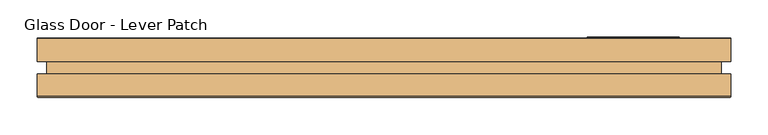
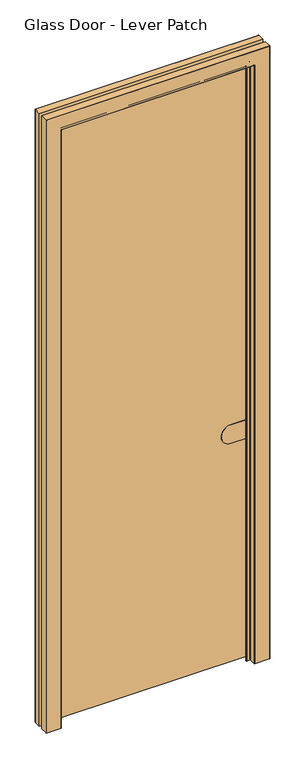
"""IFC4 building model written with IfcOpenShell, lengths in millimetres: door geometry, Glass Door - Lever Patch."""

import ifcopenshell
import ifcopenshell.guid

model = None  # the IFC model being written
_history = None  # IfcOwnerHistory: only IFC2X3 demands one
_inside = {}  # id of a spatial element -> (the spatial element, [elements in it])
_under = {}  # id of a project, library or spatial element -> (it, [spatial elements below it])
_declared = {}  # id of a project -> (the project, [libraries it declares])
_typed = {}  # id of a type object -> (the type object, [elements of that type])
_made_of = {}  # id of a material, layer set ... -> (it, [elements and type objects made of it])


def new_model(schema):
    """Start an empty IFC model of exactly this schema.

    Asked for "IFC4X3", IfcOpenShell would pick the latest addendum, in which some entities
    have other attributes; the version numbers below select the first issue.
    IFC2X3 requires an IfcOwnerHistory on every rooted entity: one is made here for all.
    """
    global model, _history
    if schema == "IFC4X3":
        model = ifcopenshell.file(schema_version=(4, 3, 0, 0))
    else:
        model = ifcopenshell.file(schema=schema)
    _inside.clear()
    _under.clear()
    _declared.clear()
    _typed.clear()
    _made_of.clear()
    _history = None
    if model.schema == "IFC2X3":
        org = make("IfcOrganization", Name="unknown")
        user = make(
            "IfcPersonAndOrganization",
            ThePerson=make("IfcPerson", FamilyName="unknown"),
            TheOrganization=org,
        )
        app = make(
            "IfcApplication",
            ApplicationDeveloper=org,
            Version="unknown",
            ApplicationFullName="unknown",
            ApplicationIdentifier="unknown",
        )
        _history = make(
            "IfcOwnerHistory",
            OwningUser=user,
            OwningApplication=app,
            ChangeAction="ADDED",
            CreationDate=0,
        )
    return model


def make(cls, **values):
    """One entity of the class cls with the attributes given. An attribute that is None is left unset."""
    return model.create_entity(
        cls, **{name: value for name, value in values.items() if value is not None}
    )


def rooted(cls, **values):
    """An entity with a GlobalId (a new one), such as an element, a storey or a relation."""
    return make(cls, GlobalId=ifcopenshell.guid.new(), OwnerHistory=_history, **values)


def si_unit(unit_type, name, prefix=None):
    """IfcSIUnit, for example si_unit("LENGTHUNIT", "METRE", prefix="MILLI")."""
    return make("IfcSIUnit", UnitType=unit_type, Prefix=prefix, Name=name)


def assignment(units):
    """IfcUnitAssignment: the units of a project."""
    return None if units is None else make("IfcUnitAssignment", Units=units)


def point(xyz):
    """IfcCartesianPoint."""
    return None if xyz is None else make("IfcCartesianPoint", Coordinates=xyz)


def direction(xyz):
    """IfcDirection."""
    return None if xyz is None else make("IfcDirection", DirectionRatios=xyz)


def frame(location, z_axis=None, x_axis=None):
    """IfcAxis2Placement3D, a coordinate frame: its origin and axes. An axis left out is left unset."""
    return make(
        "IfcAxis2Placement3D",
        Location=point(location),
        Axis=direction(z_axis),
        RefDirection=direction(x_axis),
    )


def frame_2d(location, x_axis=None):
    """IfcAxis2Placement2D, a coordinate frame in the plane: its origin and x axis."""
    return make(
        "IfcAxis2Placement2D", Location=point(location), RefDirection=direction(x_axis)
    )


def origin():
    """The frame at (0, 0, 0) with its axes left unset."""
    return frame((0.0, 0.0, 0.0))


def place(relative_to, where):
    """IfcLocalPlacement: puts the frame where relative to a parent placement (None: the world)."""
    return make(
        "IfcLocalPlacement", PlacementRelTo=relative_to, RelativePlacement=where
    )


def context(
    kind, dimensions, precision=None, world=None, true_north=None, identifier=None
):
    """IfcGeometricRepresentationContext, for example the 3D "Model" context."""
    return make(
        "IfcGeometricRepresentationContext",
        ContextIdentifier=identifier,
        ContextType=kind,
        CoordinateSpaceDimension=dimensions,
        Precision=precision,
        WorldCoordinateSystem=world,
        TrueNorth=true_north,
    )


def project(units=None, contexts=None):
    """IfcProject with its units and contexts."""
    return rooted(
        "IfcProject",
        Name="project",
        RepresentationContexts=contexts,
        UnitsInContext=assignment(units),
    )


def spatial(cls, under=None, at=None, **own):
    """A site, building, storey or space (cls), placed at a placement, below another one or the project."""
    s = rooted(cls, ObjectPlacement=at, **own)
    if under is not None:
        _under.setdefault(under.id(), (under, []))[1].append(s)
    return s


def polyline(points):
    """IfcPolyline through the points."""
    return make("IfcPolyline", Points=[point(p) for p in points])


def circle_curve(where, radius):
    """IfcCircle in the frame where."""
    return make("IfcCircle", Position=where, Radius=radius)


def ellipse_curve(where, semi_axis1, semi_axis2):
    """IfcEllipse in the frame where."""
    return make(
        "IfcEllipse", Position=where, SemiAxis1=semi_axis1, SemiAxis2=semi_axis2
    )


def trimmed(basis, trim1, trim2, sense, master):
    """IfcTrimmedCurve: the piece of a basis curve between two trims."""
    return make(
        "IfcTrimmedCurve",
        BasisCurve=basis,
        Trim1=trim1,
        Trim2=trim2,
        SenseAgreement=sense,
        MasterRepresentation=master,
    )


def segment(curve, same_sense, transition):
    """IfcCompositeCurveSegment."""
    return make(
        "IfcCompositeCurveSegment",
        Transition=transition,
        SameSense=same_sense,
        ParentCurve=curve,
    )


def composite_curve(segments, self_intersect=None):
    """IfcCompositeCurve: segments joined end to end."""
    return make("IfcCompositeCurve", Segments=segments, SelfIntersect=self_intersect)


def outline(outer, holes=None, kind="AREA"):
    """IfcArbitraryClosedProfileDef: a profile drawn as a closed curve; with holes, ...WithVoids."""
    if holes is None:
        return make("IfcArbitraryClosedProfileDef", ProfileType=kind, OuterCurve=outer)
    return make(
        "IfcArbitraryProfileDefWithVoids",
        ProfileType=kind,
        OuterCurve=outer,
        InnerCurves=holes,
    )


def extrude(swept, where, along, depth):
    """IfcExtrudedAreaSolid: the profile swept, set in the frame where, extruded along a direction by depth."""
    return make(
        "IfcExtrudedAreaSolid",
        SweptArea=swept,
        Position=where,
        ExtrudedDirection=direction(along),
        Depth=depth,
    )


def shape(context_of_items, identifier, shape_type, items):
    """IfcShapeRepresentation: the items that make up one representation, for example the "Body"."""
    return make(
        "IfcShapeRepresentation",
        ContextOfItems=context_of_items,
        RepresentationIdentifier=identifier,
        RepresentationType=shape_type,
        Items=items,
    )


def source(mapping_origin, context_of_items, identifier, shape_type, items):
    """IfcRepresentationMap: a shape defined once, which mapped items show again and again."""
    return make(
        "IfcRepresentationMap",
        MappingOrigin=mapping_origin,
        MappedRepresentation=shape(context_of_items, identifier, shape_type, items),
    )


def transform(
    local_origin,
    x_axis=None,
    y_axis=None,
    z_axis=None,
    scale=None,
    scale2=None,
    scale3=None,
    uniform=True,
):
    """IfcCartesianTransformationOperator3D, or its non-uniform kind. x_axis, y_axis, z_axis: its Axis1, 2, 3."""
    if uniform:
        return make(
            "IfcCartesianTransformationOperator3D",
            Axis1=direction(x_axis),
            Axis2=direction(y_axis),
            LocalOrigin=point(local_origin),
            Scale=scale,
            Axis3=direction(z_axis),
        )
    return make(
        "IfcCartesianTransformationOperator3DnonUniform",
        Axis1=direction(x_axis),
        Axis2=direction(y_axis),
        LocalOrigin=point(local_origin),
        Scale=scale,
        Axis3=direction(z_axis),
        Scale2=scale2,
        Scale3=scale3,
    )


def mapped(mapping_source, mapping_target):
    """IfcMappedItem: shows the shape of a source again, moved by a transform."""
    return make(
        "IfcMappedItem", MappingSource=mapping_source, MappingTarget=mapping_target
    )


def made_of(thing, what):
    """Note that an element or type object is made of a material, layer set ...; save() writes the relation."""
    if what is not None:
        _made_of.setdefault(what.id(), (what, []))[1].append(thing)
    return thing


def element(
    cls,
    number,
    at=None,
    inside=None,
    cuts=None,
    type_object=None,
    material=None,
    context=None,
    identifier="Body",
    shape_type=None,
    held_by="IfcProductDefinitionShape",
    body=None,
    shapes=None,
    **own,
):
    """One element of the class cls, such as IfcWall. Its Tag is "e" and its number.

    at: its placement. inside: the storey or other place that contains it. cuts: it is an
    opening in that element (IfcRelVoidsElement). A single representation is given by context,
    identifier, shape_type and body (its items); several are given by shapes. held_by: the class
    of the entity that holds the representations. save() writes the other relations.
    """
    e = rooted(cls, Tag="e%d" % number, ObjectPlacement=at, **own)
    if body is not None:
        shapes = [shape(context, identifier, shape_type, body)]
    if shapes is not None:
        e.Representation = make(held_by, Representations=shapes)
    if inside is not None:
        _inside.setdefault(inside.id(), (inside, []))[1].append(e)
    if cuts is not None:
        rooted(
            "IfcRelVoidsElement", RelatingBuildingElement=cuts, RelatedOpeningElement=e
        )
    if type_object is not None:
        _typed.setdefault(type_object.id(), (type_object, []))[1].append(e)
    return made_of(e, material)


def aggregate(whole, parts):
    """IfcRelAggregates: a whole, such as a stair, and the parts it consists of."""
    return rooted("IfcRelAggregates", RelatingObject=whole, RelatedObjects=parts)


def save(model, path):
    """Write the relations noted so far, then the file.

    IfcRelAggregates (storeys below a building ...), IfcRelContainedInSpatialStructure (elements
    in a storey), IfcRelDefinesByType, IfcRelAssociatesMaterial and IfcRelDeclares: one each for
    every whole, place, type object, material and project.
    """
    for whole, parts in _under.values():
        aggregate(whole, parts)
    for where, things in _inside.values():
        rooted(
            "IfcRelContainedInSpatialStructure",
            RelatedElements=things,
            RelatingStructure=where,
        )
    for kind, things in _typed.values():
        rooted("IfcRelDefinesByType", RelatedObjects=things, RelatingType=kind)
    for what, things in _made_of.values():
        rooted("IfcRelAssociatesMaterial", RelatedObjects=things, RelatingMaterial=what)
    for by, libraries in _declared.values():
        rooted("IfcRelDeclares", RelatingContext=by, RelatedDefinitions=libraries)
    model.write(path)


def plane_surface(at):
    """IfcPlane: the flat surface through the origin of the frame at, square to its z axis."""
    return make("IfcPlane", Position=at)


def cylinder_surface(at, radius):
    """IfcCylindricalSurface: all points at the distance radius from the z axis of the frame at."""
    return make("IfcCylindricalSurface", Position=at, Radius=radius)


def revolved_surface(curve, axis_point, axis_direction):
    """IfcSurfaceOfRevolution: the curve turned about the line through axis_point along axis_direction."""
    return make(
        "IfcSurfaceOfRevolution",
        SweptCurve=make("IfcArbitraryOpenProfileDef", ProfileType="CURVE", Curve=curve),
        AxisPosition=make("IfcAxis1Placement", Location=point(axis_point), Axis=direction(axis_direction)),
    )


def advanced_brep(points, edges, surfaces, faces):
    """IfcAdvancedBrep: a solid bounded by faces that lie on surfaces and meet in shared edges.

    An edge is (start, end): straight between two places in points (the first is 0);
    or (start, end, curve); or (start, end, curve, False) where it runs against its curve.
    A face is (place in surfaces, loops), or (place, loops, False) where it looks against
    its surface's normal. A loop lists edges by number (the first is 1), with a minus sign
    where the edge is run from its end to its start. The first loop is the outer one.
    """
    corners = [point(p) for p in points]
    vertices = [make("IfcVertexPoint", VertexGeometry=c) for c in corners]
    made = []
    for start, end, *more in edges:
        made.append(
            make(
                "IfcEdgeCurve",
                EdgeStart=vertices[start],
                EdgeEnd=vertices[end],
                EdgeGeometry=more[0] if more else make("IfcPolyline", Points=[corners[start], corners[end]]),
                SameSense=more[1] if len(more) > 1 else True,
            )
        )
    hull = []
    for where, loops, *sense in faces:
        bounds = []
        for j, loop in enumerate(loops):
            ring = [make("IfcOrientedEdge", EdgeElement=made[abs(k) - 1], Orientation=k > 0) for k in loop]
            bounds.append(
                make(
                    "IfcFaceOuterBound" if j == 0 else "IfcFaceBound",
                    Bound=make("IfcEdgeLoop", EdgeList=ring),
                    Orientation=True,
                )
            )
        hull.append(make("IfcAdvancedFace", Bounds=bounds, FaceSurface=surfaces[where], SameSense=sense[0] if sense else True))
    return make("IfcAdvancedBrep", Outer=make("IfcClosedShell", CfsFaces=hull))


def glass_door_lever_patch_f5607a64(model_context):
    return source(origin(), model_context, "Body", "SolidModel", [
        extrude(outline(composite_curve([segment(trimmed(circle_curve(frame_2d((1016.0, 334.6499916)), 40.975), [point((1056.975, 334.6499916))], [point((975.025, 334.6499916))], False, "CARTESIAN"), True, "CONTINUOUS"), segment(polyline([(975.025, 334.6499916), (975.025, 404.4999916), (1056.975, 404.4999916), (1056.975, 334.6499916)]), True, "CONTINUOUS")], self_intersect=False)), frame((0.0, -1.2499996, 0.0), z_axis=(0.0, 1.0, 0.0), x_axis=(0.0, 0.0, 1.0)), (0.0, 0.0, 1.0), 10.25),
        extrude(outline(composite_curve([segment(trimmed(circle_curve(frame_2d((1016.0, 334.6499916)), 53.975), [point((1069.975, 334.6499916))], [point((962.025, 334.6499916))], False, "CARTESIAN"), True, "CONTINUOUS"), segment(polyline([(962.025, 334.6499916), (962.025, 404.4999916), (1069.975, 404.4999916), (1069.975, 334.6499916)]), True, "CONTINUOUS")], self_intersect=False)), frame((0.0, 9.0000004, 0.0), z_axis=(0.0, 1.0, 0.0), x_axis=(0.0, 0.0, 1.0)), (0.0, 0.0, 1.0), 32.45),
        advanced_brep(
        [(410.5, -38.9375004, 0.0), (410.5, -10.9375076, 0.0), (409.5, -9.9375076, 0.0), (395.0, -9.9375076, 0.0), (394.0, -8.9375076, 0.0), (394.0, -6.5874996, 0.0), (394.65, -5.9374996, 0.0), (409.5, -5.9374996, 0.0), (410.5, -4.9374996, 0.0), (410.5, 39.0625004, 0.0), (411.5, 40.0625004, 0.0), (473.0, 40.0625004, 0.0), (474.0, 39.0625004, 0.0), (474.0, 8.5625, 0.0), (461.0, 8.5625, 0.0), (461.0, -8.4375, 0.0), (474.0, -8.4375, 0.0), (474.0, -38.9375004, 0.0), (473.0, -39.9375004, 0.0), (411.5, -39.9375004, 0.0), (411.5, -39.9375004, 2635.7), (410.5, -38.9375004, 2634.7), (473.0, -39.9375004, 2697.2), (-457.9998365, -39.9375004, 2697.2), (-457.9998365, -39.9375004, 0.0), (-396.4998365, -39.9375004, 0.0), (-396.4998365, -39.9375004, 2635.7), (474.0, -38.9375004, 2698.2), (474.0, -8.4375, 2698.2), (461.0, -8.4375, 2685.2), (-445.9998365, -8.4375, 2685.2), (-445.9998365, -8.4375, 0.0), (-458.9998365, -8.4375, 0.0), (-458.9998365, -8.4375, 2698.2), (461.0, 8.5625, 2685.2), (474.0, 8.5625, 2698.2), (-458.9998365, 8.5625, 2698.2), (-458.9998365, 8.5625, 0.0), (-445.9998365, 8.5625, 0.0), (-445.9998365, 8.5625, 2685.2), (474.0, 39.0625004, 2698.2), (473.0, 40.0625004, 2697.2), (411.5, 40.0625004, 2635.7), (-396.4998365, 40.0625004, 2635.7), (-396.4998365, 40.0625004, 0.0), (-457.9998365, 40.0625004, 0.0), (-457.9998365, 40.0625004, 2697.2), (410.5, 39.0625004, 2634.7), (410.5, -4.9374996, 2634.7), (409.5, -5.9374996, 2633.7), (394.65, -5.9374996, 2618.85), (-379.6498365, -5.9374996, 2618.85), (-379.6498365, -5.9374996, 0.0), (-394.4998365, -5.9374996, 0.0), (-394.4998365, -5.9374996, 2633.7), (394.0, -6.5874996, 2618.2), (394.0, -8.9375076, 2618.2), (395.0, -9.9375076, 2619.2), (409.5, -9.9375076, 2633.7), (-394.4998365, -9.9375076, 2633.7), (-394.4998365, -9.9375076, 0.0), (-379.9998365, -9.9375076, 0.0), (-379.9998365, -9.9375076, 2619.2), (410.5, -10.9375076, 2634.7), (-395.4998365, -38.9375004, 0.0), (-395.4998365, -38.9375004, 2634.7), (-458.9998365, -38.9375004, 0.0), (-458.9998365, 39.0625004, 0.0), (-395.4998365, 39.0625004, 0.0), (-395.4998365, -4.9374996, 0.0), (-378.9998365, -6.5874996, 0.0), (-378.9998365, -8.9375076, 0.0), (-395.4998365, -10.9375076, 0.0), (-458.9998365, -38.9375004, 2698.2), (-458.9998365, 39.0625004, 2698.2), (-395.4998365, 39.0625004, 2634.7), (-395.4998365, -4.9374996, 2634.7), (-378.9998365, -6.5874996, 2618.2), (-378.9998365, -8.9375076, 2618.2), (-395.4998365, -10.9375076, 2634.7)],
        [
            (0, 1),
            (1, 2, circle_curve(frame((409.5, -10.9375076, 0.0), z_axis=(0.0, 0.0, 1.0), x_axis=(-1.0, 0.0, 0.0)), 1.0)),
            (2, 3),
            (3, 4, circle_curve(frame((395.0, -8.9375076, 0.0), z_axis=(0.0, 0.0, -1.0), x_axis=(-1.0, 0.0, 0.0)), 1.0)),
            (4, 5),
            (5, 6, circle_curve(frame((394.65, -6.5874996, 0.0), z_axis=(0.0, 0.0, -1.0), x_axis=(-1.0, 0.0, 0.0)), 0.65)),
            (6, 7),
            (7, 8, circle_curve(frame((409.5, -4.9374996, 0.0), z_axis=(0.0, 0.0, 1.0), x_axis=(-1.0, 0.0, 0.0)), 1.0)),
            (8, 9),
            (9, 10, circle_curve(frame((411.5, 39.0625004, 0.0), z_axis=(0.0, 0.0, -1.0), x_axis=(-1.0, 0.0, 0.0)), 1.0)),
            (10, 11),
            (11, 12, circle_curve(frame((473.0, 39.0625004, 0.0), z_axis=(0.0, 0.0, -1.0), x_axis=(-1.0, 0.0, 0.0)), 1.0)),
            (12, 13),
            (13, 14),
            (14, 15),
            (15, 16),
            (16, 17),
            (17, 18, circle_curve(frame((473.0, -38.9375004, 0.0), z_axis=(0.0, 0.0, -1.0), x_axis=(-1.0, 0.0, 0.0)), 1.0)),
            (18, 19),
            (19, 0, circle_curve(frame((411.5, -38.9375004, 0.0), z_axis=(0.0, 0.0, -1.0), x_axis=(-1.0, 0.0, 0.0)), 1.0)),
            (19, 20),
            (20, 21, ellipse_curve(frame((411.5, -38.9375004, 2635.7), z_axis=(0.7071067811865475, 0.0, -0.7071067811865475), x_axis=(-0.7071067811865474, 0.0, -0.7071067811865476)), 1.4142136, 1.0)),
            (21, 0),
            (18, 22),
            (22, 23),
            (23, 24),
            (24, 25),
            (25, 26),
            (26, 20),
            (17, 27),
            (27, 22, ellipse_curve(frame((473.0, -38.9375004, 2697.2), z_axis=(0.7071067811865475, 0.0, -0.7071067811865475), x_axis=(-0.7071067811865474, 0.0, -0.7071067811865476)), 1.4142136, 1.0)),
            (16, 28),
            (28, 27),
            (15, 29),
            (29, 30),
            (30, 31),
            (31, 32),
            (32, 33),
            (33, 28),
            (14, 34),
            (34, 29),
            (13, 35),
            (35, 36),
            (36, 37),
            (37, 38),
            (38, 39),
            (39, 34),
            (12, 40),
            (40, 35),
            (11, 41),
            (41, 40, ellipse_curve(frame((473.0, 39.0625004, 2697.2), z_axis=(0.7071067811865475, 0.0, -0.7071067811865475), x_axis=(-0.7071067811865474, 0.0, -0.7071067811865476)), 1.4142136, 1.0)),
            (10, 42),
            (42, 43),
            (43, 44),
            (44, 45),
            (45, 46),
            (46, 41),
            (9, 47),
            (47, 42, ellipse_curve(frame((411.5, 39.0625004, 2635.7), z_axis=(0.7071067811865475, 0.0, -0.7071067811865475), x_axis=(-0.7071067811865474, 0.0, -0.7071067811865476)), 1.4142136, 1.0)),
            (8, 48),
            (48, 47),
            (7, 49),
            (49, 48, ellipse_curve(frame((409.5, -4.9374996, 2633.7), z_axis=(-0.7071067811865475, 0.0, 0.7071067811865475), x_axis=(0.7071067811865474, 0.0, 0.7071067811865476)), 1.4142136, 1.0)),
            (6, 50),
            (50, 51),
            (51, 52),
            (52, 53),
            (53, 54),
            (54, 49),
            (5, 55),
            (55, 50, ellipse_curve(frame((394.65, -6.5874996, 2618.85), z_axis=(0.7071067811865475, 0.0, -0.7071067811865475), x_axis=(-0.7071067811865474, 0.0, -0.7071067811865476)), 0.9192388, 0.65)),
            (4, 56),
            (56, 55),
            (3, 57),
            (57, 56, ellipse_curve(frame((395.0, -8.9375076, 2619.2), z_axis=(0.7071067811865475, 0.0, -0.7071067811865475), x_axis=(-0.7071067811865474, 0.0, -0.7071067811865476)), 1.4142136, 1.0)),
            (2, 58),
            (58, 59),
            (59, 60),
            (60, 61),
            (61, 62),
            (62, 57),
            (1, 63),
            (63, 58, ellipse_curve(frame((409.5, -10.9375076, 2633.7), z_axis=(-0.7071067811865475, 0.0, 0.7071067811865475), x_axis=(0.7071067811865474, 0.0, 0.7071067811865476)), 1.4142136, 1.0)),
            (21, 63),
            (25, 64, circle_curve(frame((-396.4998365, -38.9375004, 0.0), z_axis=(0.0, 0.0, 1.0), x_axis=(1.0, 0.0, 0.0)), 1.0)),
            (64, 65),
            (65, 26, ellipse_curve(frame((-396.4998365, -38.9375004, 2635.7), z_axis=(-0.7071067811865475, 0.0, -0.7071067811865475), x_axis=(-0.7071067811865474, 0.0, 0.7071067811865476)), 1.4142136, 1.0)),
            (24, 66, circle_curve(frame((-457.9998365, -38.9375004, 0.0), z_axis=(0.0, 0.0, -1.0), x_axis=(1.0, 0.0, 0.0)), 1.0)),
            (66, 32),
            (31, 38),
            (37, 67),
            (67, 45, circle_curve(frame((-457.9998365, 39.0625004, 0.0), z_axis=(0.0, 0.0, -1.0), x_axis=(1.0, 0.0, 0.0)), 1.0)),
            (44, 68, circle_curve(frame((-396.4998365, 39.0625004, 0.0), z_axis=(0.0, 0.0, -1.0), x_axis=(1.0, 0.0, 0.0)), 1.0)),
            (68, 69),
            (69, 53, circle_curve(frame((-394.4998365, -4.9374996, 0.0), z_axis=(0.0, 0.0, 1.0), x_axis=(1.0, 0.0, 0.0)), 1.0)),
            (52, 70, circle_curve(frame((-379.6498365, -6.5874996, 0.0), z_axis=(0.0, 0.0, -1.0), x_axis=(1.0, 0.0, 0.0)), 0.65)),
            (70, 71),
            (71, 61, circle_curve(frame((-379.9998365, -8.9375076, 0.0), z_axis=(0.0, 0.0, -1.0), x_axis=(1.0, 0.0, 0.0)), 1.0)),
            (60, 72, circle_curve(frame((-394.4998365, -10.9375076, 0.0), z_axis=(0.0, 0.0, 1.0), x_axis=(1.0, 0.0, 0.0)), 1.0)),
            (72, 64),
            (73, 66),
            (23, 73, ellipse_curve(frame((-457.9998365, -38.9375004, 2697.2), z_axis=(-0.7071067811865475, 0.0, -0.7071067811865475), x_axis=(-0.7071067811865474, 0.0, 0.7071067811865476)), 1.4142136, 1.0)),
            (73, 33),
            (30, 39),
            (74, 67),
            (36, 74),
            (74, 46, ellipse_curve(frame((-457.9998365, 39.0625004, 2697.2), z_axis=(-0.7071067811865475, 0.0, -0.7071067811865475), x_axis=(-0.7071067811865474, 0.0, 0.7071067811865476)), 1.4142136, 1.0)),
            (75, 68),
            (43, 75, ellipse_curve(frame((-396.4998365, 39.0625004, 2635.7), z_axis=(-0.7071067811865475, 0.0, -0.7071067811865475), x_axis=(-0.7071067811865474, 0.0, 0.7071067811865476)), 1.4142136, 1.0)),
            (69, 76),
            (76, 54, ellipse_curve(frame((-394.4998365, -4.9374996, 2633.7), z_axis=(0.7071067811865475, 0.0, 0.7071067811865475), x_axis=(0.7071067811865474, 0.0, -0.7071067811865476)), 1.4142136, 1.0)),
            (77, 70),
            (51, 77, ellipse_curve(frame((-379.6498365, -6.5874996, 2618.85), z_axis=(-0.7071067811865475, 0.0, -0.7071067811865475), x_axis=(-0.7071067811865474, 0.0, 0.7071067811865476)), 0.9192388, 0.65)),
            (71, 78),
            (78, 62, ellipse_curve(frame((-379.9998365, -8.9375076, 2619.2), z_axis=(-0.7071067811865475, 0.0, -0.7071067811865475), x_axis=(-0.7071067811865474, 0.0, 0.7071067811865476)), 1.4142136, 1.0)),
            (79, 72),
            (59, 79, ellipse_curve(frame((-394.4998365, -10.9375076, 2633.7), z_axis=(0.7071067811865475, 0.0, 0.7071067811865475), x_axis=(0.7071067811865474, 0.0, -0.7071067811865476)), 1.4142136, 1.0)),
            (79, 65),
            (77, 78),
            (75, 76),
            (65, 21),
            (27, 73),
            (40, 74),
            (47, 75),
            (48, 76),
            (55, 77),
            (56, 78),
            (63, 79),
        ],
        [
            plane_surface(frame((474.0, 0.0, 0.0), z_axis=(0.0, 0.0, -1.0), x_axis=(0.0, 1.0, 0.0))),
            cylinder_surface(frame((411.5, -38.9375004, 0.0), z_axis=(0.0, 0.0, -1.0), x_axis=(-1.0, 0.0, 0.0)), 1.0),
            plane_surface(frame((411.5, -39.9375004, 0.0), z_axis=(0.0, -1.0, 0.0), x_axis=(0.0, 0.0, 1.0))),
            cylinder_surface(frame((473.0, -38.9375004, 0.0), z_axis=(0.0, 0.0, -1.0), x_axis=(-1.0, 0.0, 0.0)), 1.0),
            plane_surface(frame((474.0, -38.9375004, 0.0), z_axis=(1.0, 0.0, 0.0), x_axis=(0.0, 0.0, 1.0))),
            plane_surface(frame((474.0, -8.4375, 0.0), z_axis=(0.0, 1.0, 0.0), x_axis=(0.0, 0.0, 1.0))),
            plane_surface(frame((461.0, -8.4375, 0.0), z_axis=(1.0, 0.0, 0.0), x_axis=(0.0, 0.0, 1.0))),
            plane_surface(frame((461.0, 8.5625, 0.0), z_axis=(0.0, -1.0, 0.0), x_axis=(0.0, 0.0, 1.0))),
            plane_surface(frame((474.0, 8.5625, 0.0), z_axis=(1.0, 0.0, 0.0), x_axis=(0.0, 0.0, 1.0))),
            cylinder_surface(frame((473.0, 39.0625004, 0.0), z_axis=(0.0, 0.0, -1.0), x_axis=(-1.0, 0.0, 0.0)), 1.0),
            plane_surface(frame((473.0, 40.0625004, 0.0), z_axis=(0.0, 1.0, 0.0), x_axis=(0.0, 0.0, 1.0))),
            cylinder_surface(frame((411.5, 39.0625004, 0.0), z_axis=(0.0, 0.0, -1.0), x_axis=(-1.0, 0.0, 0.0)), 1.0),
            plane_surface(frame((410.5, 39.0625004, 0.0), z_axis=(-1.0, 0.0, 0.0), x_axis=(0.0, 0.0, 1.0))),
            revolved_surface(polyline([(408.5, -4.9374996, 2634.700000026606), (408.5, -4.9374996, 0.0)]), (409.5, -4.9374996, 0.0), (0.0, 0.0, 1.0)),
            plane_surface(frame((409.5, -5.9374996, 0.0), z_axis=(0.0, 1.0, 0.0), x_axis=(0.0, 0.0, 1.0))),
            cylinder_surface(frame((394.65, -6.5874996, 0.0), z_axis=(0.0, 0.0, -1.0), x_axis=(-1.0, 0.0, 0.0)), 0.65),
            plane_surface(frame((394.0, -6.5874996, 0.0), z_axis=(-1.0, 0.0, 0.0), x_axis=(0.0, 0.0, 1.0))),
            cylinder_surface(frame((395.0, -8.9375076, 0.0), z_axis=(0.0, 0.0, -1.0), x_axis=(-1.0, 0.0, 0.0)), 1.0),
            plane_surface(frame((395.0, -9.9375076, 0.0), z_axis=(0.0, -1.0, 0.0), x_axis=(0.0, 0.0, 1.0))),
            revolved_surface(polyline([(408.5, -10.9375076, 2634.700000026606), (408.5, -10.9375076, 0.0)]), (409.5, -10.9375076, 0.0), (0.0, 0.0, 1.0)),
            plane_surface(frame((410.5, -10.9375076, 0.0), z_axis=(-1.0, 0.0, 0.0), x_axis=(0.0, 0.0, 1.0))),
            cylinder_surface(frame((-396.4998365, -38.9375004, 2698.2), z_axis=(0.0, 0.0, 1.0), x_axis=(1.0, 0.0, 0.0)), 1.0),
            plane_surface(frame((-458.9998365, 0.0, 0.0), z_axis=(0.0, 0.0, -1.0), x_axis=(0.0, 1.0, 0.0))),
            cylinder_surface(frame((-457.9998365, -38.9375004, 2698.2), z_axis=(0.0, 0.0, 1.0), x_axis=(1.0, 0.0, 0.0)), 1.0),
            plane_surface(frame((-458.9998365, -38.9375004, 2698.2), z_axis=(-1.0, 0.0, 0.0), x_axis=(0.0, 0.0, -1.0))),
            plane_surface(frame((-445.9998365, -8.4375, 2685.2), z_axis=(-1.0, 0.0, 0.0), x_axis=(0.0, 0.0, -1.0))),
            plane_surface(frame((-458.9998365, 8.5625, 2698.2), z_axis=(-1.0, 0.0, 0.0), x_axis=(0.0, 0.0, -1.0))),
            cylinder_surface(frame((-457.9998365, 39.0625004, 2698.2), z_axis=(0.0, 0.0, 1.0), x_axis=(1.0, 0.0, 0.0)), 1.0),
            cylinder_surface(frame((-396.4998365, 39.0625004, 2698.2), z_axis=(0.0, 0.0, 1.0), x_axis=(1.0, 0.0, 0.0)), 1.0),
            revolved_surface(polyline([(-393.4998365, -4.9374996, 0.0), (-393.4998365, -4.9374996, 2634.700000026606)]), (-394.4998365, -4.9374996, 2698.2), (0.0, 0.0, -1.0)),
            cylinder_surface(frame((-379.6498365, -6.5874996, 2698.2), z_axis=(0.0, 0.0, 1.0), x_axis=(1.0, 0.0, 0.0)), 0.65),
            cylinder_surface(frame((-379.9998365, -8.9375076, 2698.2), z_axis=(0.0, 0.0, 1.0), x_axis=(1.0, 0.0, 0.0)), 1.0),
            revolved_surface(polyline([(-393.4998365, -10.9375076, 0.0), (-393.4998365, -10.9375076, 2634.700000026606)]), (-394.4998365, -10.9375076, 2698.2), (0.0, 0.0, -1.0)),
            plane_surface(frame((-395.4998365, -10.9375076, 2634.7), z_axis=(1.0, 0.0, 0.0), x_axis=(0.0, 0.0, -1.0))),
            plane_surface(frame((-378.9998365, -6.5874996, 2618.2), z_axis=(1.0, 0.0, 0.0), x_axis=(0.0, 0.0, -1.0))),
            plane_surface(frame((-395.4998365, 39.0625004, 2634.7), z_axis=(1.0, 0.0, 0.0), x_axis=(0.0, 0.0, -1.0))),
            cylinder_surface(frame((474.0, -38.9375004, 2635.7), z_axis=(1.0, 0.0, 0.0), x_axis=(0.0, 0.0, -1.0)), 1.0),
            cylinder_surface(frame((474.0, -38.9375004, 2697.2), z_axis=(1.0, 0.0, 0.0), x_axis=(0.0, 0.0, -1.0)), 1.0),
            plane_surface(frame((474.0, -38.9375004, 2698.2), z_axis=(0.0, 0.0, 1.0), x_axis=(-1.0, 0.0, 0.0))),
            plane_surface(frame((461.0, -8.4375, 2685.2), z_axis=(0.0, 0.0, 1.0), x_axis=(-1.0, 0.0, 0.0))),
            plane_surface(frame((474.0, 8.5625, 2698.2), z_axis=(0.0, 0.0, 1.0), x_axis=(-1.0, 0.0, 0.0))),
            cylinder_surface(frame((474.0, 39.0625004, 2697.2), z_axis=(1.0, 0.0, 0.0), x_axis=(0.0, 0.0, -1.0)), 1.0),
            cylinder_surface(frame((474.0, 39.0625004, 2635.7), z_axis=(1.0, 0.0, 0.0), x_axis=(0.0, 0.0, -1.0)), 1.0),
            plane_surface(frame((410.5, 39.0625004, 2634.7), z_axis=(0.0, 0.0, -1.0), x_axis=(-1.0, 0.0, 0.0))),
            revolved_surface(polyline([(-395.49983652660626, -4.9374996, 2632.7), (410.50000002660624, -4.9374996, 2632.7)]), (474.0, -4.9374996, 2633.7), (-1.0, 0.0, 0.0)),
            cylinder_surface(frame((474.0, -6.5874996, 2618.85), z_axis=(1.0, 0.0, 0.0), x_axis=(0.0, 0.0, -1.0)), 0.65),
            plane_surface(frame((394.0, -6.5874996, 2618.2), z_axis=(0.0, 0.0, -1.0), x_axis=(-1.0, 0.0, 0.0))),
            cylinder_surface(frame((474.0, -8.9375076, 2619.2), z_axis=(1.0, 0.0, 0.0), x_axis=(0.0, 0.0, -1.0)), 1.0),
            revolved_surface(polyline([(-395.49983652660626, -10.9375076, 2632.7), (410.50000002660624, -10.9375076, 2632.7)]), (474.0, -10.9375076, 2633.7), (-1.0, 0.0, 0.0)),
            plane_surface(frame((410.5, -10.9375076, 2634.7), z_axis=(0.0, 0.0, -1.0), x_axis=(-1.0, 0.0, 0.0))),
        ],
        [
            (0, [[1, 2, 3, 4, 5, 6, 7, 8, 9, 10, 11, 12, 13, 14, 15, 16, 17, 18, 19, 20]]),
            (1, [[21, 22, 23, -20]]),
            (2, [[24, 25, 26, 27, 28, 29, -21, -19]]),
            (3, [[30, 31, -24, -18]]),
            (4, [[32, 33, -30, -17]]),
            (5, [[34, 35, 36, 37, 38, 39, -32, -16]]),
            (6, [[40, 41, -34, -15]]),
            (7, [[42, 43, 44, 45, 46, 47, -40, -14]]),
            (8, [[48, 49, -42, -13]]),
            (9, [[50, 51, -48, -12]]),
            (10, [[52, 53, 54, 55, 56, 57, -50, -11]]),
            (11, [[58, 59, -52, -10]]),
            (12, [[60, 61, -58, -9]]),
            (13, [[62, 63, -60, -8]]),
            (14, [[64, 65, 66, 67, 68, 69, -62, -7]]),
            (15, [[70, 71, -64, -6]]),
            (16, [[72, 73, -70, -5]]),
            (17, [[74, 75, -72, -4]]),
            (18, [[76, 77, 78, 79, 80, 81, -74, -3]]),
            (19, [[82, 83, -76, -2]]),
            (20, [[-23, 84, -82, -1]]),
            (21, [[-28, 85, 86, 87]]),
            (22, [[-85, -27, 88, 89, -37, 90, -45, 91, 92, -55, 93, 94, 95, -67, 96, 97, 98, -79, 99, 100]]),
            (23, [[101, -88, -26, 102]]),
            (24, [[-38, -89, -101, 103]]),
            (25, [[-46, -90, -36, 104]]),
            (26, [[105, -91, -44, 106]]),
            (27, [[-56, -92, -105, 107]]),
            (28, [[108, -93, -54, 109]]),
            (29, [[-68, -95, 110, 111]]),
            (30, [[112, -96, -66, 113]]),
            (31, [[-80, -98, 114, 115]]),
            (32, [[116, -99, -78, 117]]),
            (33, [[-86, -100, -116, 118]]),
            (34, [[-114, -97, -112, 119]]),
            (35, [[-110, -94, -108, 120]]),
            (36, [[-29, -87, 121, -22]]),
            (37, [[122, -102, -25, -31]]),
            (38, [[-39, -103, -122, -33]]),
            (39, [[-47, -104, -35, -41]]),
            (40, [[123, -106, -43, -49]]),
            (41, [[-57, -107, -123, -51]]),
            (42, [[124, -109, -53, -59]]),
            (43, [[125, -120, -124, -61]]),
            (44, [[-69, -111, -125, -63]]),
            (45, [[126, -113, -65, -71]]),
            (46, [[127, -119, -126, -73]]),
            (47, [[-81, -115, -127, -75]]),
            (48, [[128, -117, -77, -83]]),
            (49, [[-121, -118, -128, -84]]),
        ],
    ),
        extrude(outline(polyline([(404.4999916, 9.0625004), (404.4999916, -0.9374996), (-388.4998449, -0.9374996), (-388.4998449, 9.0625004), (404.4999916, 9.0625004)])), frame((0.0, 0.0, 15.0), z_axis=(0.0, 0.0, 1.0), x_axis=(1.0, 0.0, 0.0)), (0.0, 0.0, 1.0), 2612.7),
    ])


if __name__ == "__main__":
    model = new_model("IFC4")
    model_context = context("Model", 3, world=origin())
    ifc_project = project(units=[si_unit("LENGTHUNIT", "METRE", prefix="MILLI")], contexts=[model_context])
    site = spatial("IfcSite", under=ifc_project)
    building = spatial("IfcBuilding", under=site)
    placement = place(None, origin())
    glass_door_lever_patch_shape = glass_door_lever_patch_f5607a64(model_context)
    element("IfcDoor", 1, ObjectType="Glass Door - Lever Patch", at=placement, inside=building, context=model_context, shape_type="MappedRepresentation", body=[
        mapped(glass_door_lever_patch_shape, transform((0.0, 0.0, 0.0), x_axis=(1.0, 0.0, 0.0), y_axis=(0.0, 1.0, 0.0), z_axis=(0.0, 0.0, 1.0))),
    ])
    save(model, "model.ifc")
